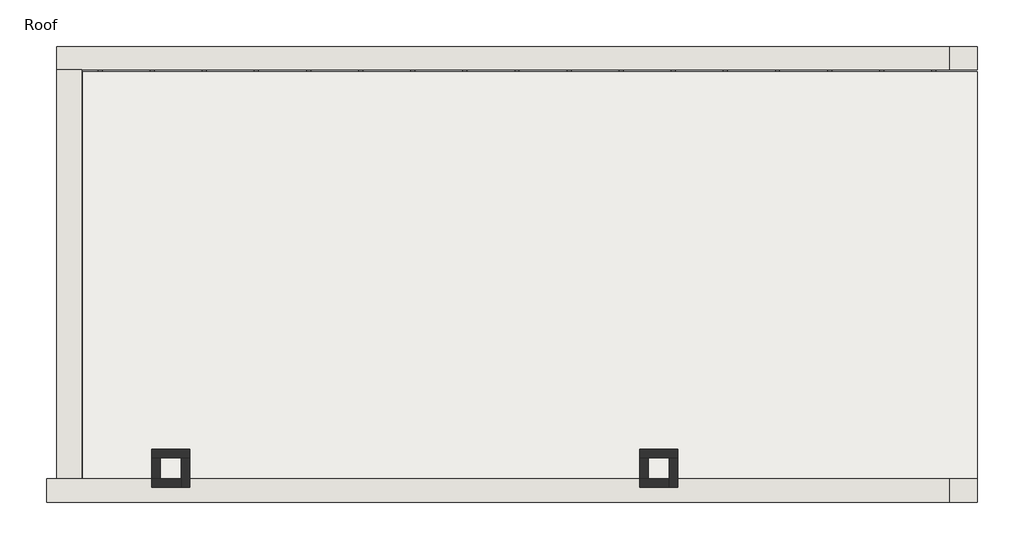
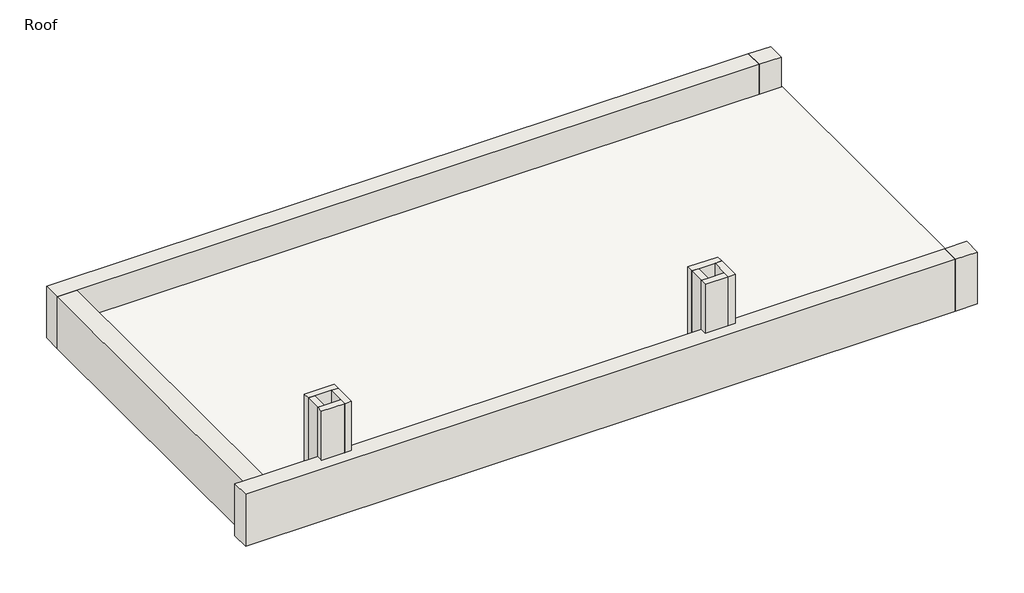
# One storey: 17 beams, 13 walls, 1 roof.
"""IFC4 building model written with IfcOpenShell, lengths in millimetres."""

import ifcopenshell
import ifcopenshell.guid

model = None  # the IFC model being written
_history = None  # IfcOwnerHistory: only IFC2X3 demands one
_inside = {}  # id of a spatial element -> (the spatial element, [elements in it])
_under = {}  # id of a project, library or spatial element -> (it, [spatial elements below it])
_declared = {}  # id of a project -> (the project, [libraries it declares])
_typed = {}  # id of a type object -> (the type object, [elements of that type])
_made_of = {}  # id of a material, layer set ... -> (it, [elements and type objects made of it])


def new_model(schema):
    """Start an empty IFC model of exactly this schema.

    Asked for "IFC4X3", IfcOpenShell would pick the latest addendum, in which some entities
    have other attributes; the version numbers below select the first issue.
    IFC2X3 requires an IfcOwnerHistory on every rooted entity: one is made here for all.
    """
    global model, _history
    if schema == "IFC4X3":
        model = ifcopenshell.file(schema_version=(4, 3, 0, 0))
    else:
        model = ifcopenshell.file(schema=schema)
    _inside.clear()
    _under.clear()
    _declared.clear()
    _typed.clear()
    _made_of.clear()
    _history = None
    if model.schema == "IFC2X3":
        org = make("IfcOrganization", Name="unknown")
        user = make(
            "IfcPersonAndOrganization",
            ThePerson=make("IfcPerson", FamilyName="unknown"),
            TheOrganization=org,
        )
        app = make(
            "IfcApplication",
            ApplicationDeveloper=org,
            Version="unknown",
            ApplicationFullName="unknown",
            ApplicationIdentifier="unknown",
        )
        _history = make(
            "IfcOwnerHistory",
            OwningUser=user,
            OwningApplication=app,
            ChangeAction="ADDED",
            CreationDate=0,
        )
    return model


def make(cls, **values):
    """One entity of the class cls with the attributes given. An attribute that is None is left unset."""
    return model.create_entity(
        cls, **{name: value for name, value in values.items() if value is not None}
    )


def rooted(cls, **values):
    """An entity with a GlobalId (a new one), such as an element, a storey or a relation."""
    return make(cls, GlobalId=ifcopenshell.guid.new(), OwnerHistory=_history, **values)


def si_unit(unit_type, name, prefix=None):
    """IfcSIUnit, for example si_unit("LENGTHUNIT", "METRE", prefix="MILLI")."""
    return make("IfcSIUnit", UnitType=unit_type, Prefix=prefix, Name=name)


def assignment(units):
    """IfcUnitAssignment: the units of a project."""
    return None if units is None else make("IfcUnitAssignment", Units=units)


def point(xyz):
    """IfcCartesianPoint."""
    return None if xyz is None else make("IfcCartesianPoint", Coordinates=xyz)


def direction(xyz):
    """IfcDirection."""
    return None if xyz is None else make("IfcDirection", DirectionRatios=xyz)


def frame(location, z_axis=None, x_axis=None):
    """IfcAxis2Placement3D, a coordinate frame: its origin and axes. An axis left out is left unset."""
    return make(
        "IfcAxis2Placement3D",
        Location=point(location),
        Axis=direction(z_axis),
        RefDirection=direction(x_axis),
    )


def origin():
    """The frame at (0, 0, 0) with its axes left unset."""
    return frame((0.0, 0.0, 0.0))


def place(relative_to, where):
    """IfcLocalPlacement: puts the frame where relative to a parent placement (None: the world)."""
    return make(
        "IfcLocalPlacement", PlacementRelTo=relative_to, RelativePlacement=where
    )


def context(
    kind, dimensions, precision=None, world=None, true_north=None, identifier=None
):
    """IfcGeometricRepresentationContext, for example the 3D "Model" context."""
    return make(
        "IfcGeometricRepresentationContext",
        ContextIdentifier=identifier,
        ContextType=kind,
        CoordinateSpaceDimension=dimensions,
        Precision=precision,
        WorldCoordinateSystem=world,
        TrueNorth=true_north,
    )


def project(units=None, contexts=None):
    """IfcProject with its units and contexts."""
    return rooted(
        "IfcProject",
        Name="project",
        RepresentationContexts=contexts,
        UnitsInContext=assignment(units),
    )


def spatial(cls, under=None, at=None, **own):
    """A site, building, storey or space (cls), placed at a placement, below another one or the project."""
    s = rooted(cls, ObjectPlacement=at, **own)
    if under is not None:
        _under.setdefault(under.id(), (under, []))[1].append(s)
    return s


def polyline(points):
    """IfcPolyline through the points."""
    return make("IfcPolyline", Points=[point(p) for p in points])


def outline(outer, holes=None, kind="AREA"):
    """IfcArbitraryClosedProfileDef: a profile drawn as a closed curve; with holes, ...WithVoids."""
    if holes is None:
        return make("IfcArbitraryClosedProfileDef", ProfileType=kind, OuterCurve=outer)
    return make(
        "IfcArbitraryProfileDefWithVoids",
        ProfileType=kind,
        OuterCurve=outer,
        InnerCurves=holes,
    )


def extrude(swept, where, along, depth):
    """IfcExtrudedAreaSolid: the profile swept, set in the frame where, extruded along a direction by depth."""
    return make(
        "IfcExtrudedAreaSolid",
        SweptArea=swept,
        Position=where,
        ExtrudedDirection=direction(along),
        Depth=depth,
    )


def faces_of(points, faces, orient=None, outer=None):
    """IfcFace entities. A face is a list of loops; a loop is a list of indices into points, from 0.

    orient and outer hold one flag for each loop. By default every Orientation is true, the
    first loop of a face is its IfcFaceOuterBound and the others are IfcFaceBound.
    """
    made = []
    for i, loops in enumerate(faces):
        bounds = []
        for j, loop in enumerate(loops):
            is_outer = j == 0 if outer is None else outer[i][j]
            bounds.append(
                make(
                    "IfcFaceOuterBound" if is_outer else "IfcFaceBound",
                    Bound=make("IfcPolyLoop", Polygon=[points[k] for k in loop]),
                    Orientation=True if orient is None else orient[i][j],
                )
            )
        made.append(make("IfcFace", Bounds=bounds))
    return made


def faceted_brep(points, faces, orient=None, outer=None, voids=None):
    """IfcFacetedBrep: a solid bounded by flat faces; with voids (closed shells), ...WithVoids."""
    shared = [point(p) for p in points]
    hull = make("IfcClosedShell", CfsFaces=faces_of(shared, faces, orient, outer))
    if voids is None:
        return make("IfcFacetedBrep", Outer=hull)
    return make(
        "IfcFacetedBrepWithVoids",
        Outer=hull,
        Voids=[
            make(cls, CfsFaces=faces_of(shared, fs, o, b)) for cls, fs, o, b in voids
        ],
    )


def shape(context_of_items, identifier, shape_type, items):
    """IfcShapeRepresentation: the items that make up one representation, for example the "Body"."""
    return make(
        "IfcShapeRepresentation",
        ContextOfItems=context_of_items,
        RepresentationIdentifier=identifier,
        RepresentationType=shape_type,
        Items=items,
    )


def source(mapping_origin, context_of_items, identifier, shape_type, items):
    """IfcRepresentationMap: a shape defined once, which mapped items show again and again."""
    return make(
        "IfcRepresentationMap",
        MappingOrigin=mapping_origin,
        MappedRepresentation=shape(context_of_items, identifier, shape_type, items),
    )


def transform(
    local_origin,
    x_axis=None,
    y_axis=None,
    z_axis=None,
    scale=None,
    scale2=None,
    scale3=None,
    uniform=True,
):
    """IfcCartesianTransformationOperator3D, or its non-uniform kind. x_axis, y_axis, z_axis: its Axis1, 2, 3."""
    if uniform:
        return make(
            "IfcCartesianTransformationOperator3D",
            Axis1=direction(x_axis),
            Axis2=direction(y_axis),
            LocalOrigin=point(local_origin),
            Scale=scale,
            Axis3=direction(z_axis),
        )
    return make(
        "IfcCartesianTransformationOperator3DnonUniform",
        Axis1=direction(x_axis),
        Axis2=direction(y_axis),
        LocalOrigin=point(local_origin),
        Scale=scale,
        Axis3=direction(z_axis),
        Scale2=scale2,
        Scale3=scale3,
    )


def mapped(mapping_source, mapping_target):
    """IfcMappedItem: shows the shape of a source again, moved by a transform."""
    return make(
        "IfcMappedItem", MappingSource=mapping_source, MappingTarget=mapping_target
    )


def made_of(thing, what):
    """Note that an element or type object is made of a material, layer set ...; save() writes the relation."""
    if what is not None:
        _made_of.setdefault(what.id(), (what, []))[1].append(thing)
    return thing


def element(
    cls,
    number,
    at=None,
    inside=None,
    cuts=None,
    type_object=None,
    material=None,
    context=None,
    identifier="Body",
    shape_type=None,
    held_by="IfcProductDefinitionShape",
    body=None,
    shapes=None,
    **own,
):
    """One element of the class cls, such as IfcWall. Its Tag is "e" and its number.

    at: its placement. inside: the storey or other place that contains it. cuts: it is an
    opening in that element (IfcRelVoidsElement). A single representation is given by context,
    identifier, shape_type and body (its items); several are given by shapes. held_by: the class
    of the entity that holds the representations. save() writes the other relations.
    """
    e = rooted(cls, Tag="e%d" % number, ObjectPlacement=at, **own)
    if body is not None:
        shapes = [shape(context, identifier, shape_type, body)]
    if shapes is not None:
        e.Representation = make(held_by, Representations=shapes)
    if inside is not None:
        _inside.setdefault(inside.id(), (inside, []))[1].append(e)
    if cuts is not None:
        rooted(
            "IfcRelVoidsElement", RelatingBuildingElement=cuts, RelatedOpeningElement=e
        )
    if type_object is not None:
        _typed.setdefault(type_object.id(), (type_object, []))[1].append(e)
    return made_of(e, material)


def aggregate(whole, parts):
    """IfcRelAggregates: a whole, such as a stair, and the parts it consists of."""
    return rooted("IfcRelAggregates", RelatingObject=whole, RelatedObjects=parts)


def save(model, path):
    """Write the relations noted so far, then the file.

    IfcRelAggregates (storeys below a building ...), IfcRelContainedInSpatialStructure (elements
    in a storey), IfcRelDefinesByType, IfcRelAssociatesMaterial and IfcRelDeclares: one each for
    every whole, place, type object, material and project.
    """
    for whole, parts in _under.values():
        aggregate(whole, parts)
    for where, things in _inside.values():
        rooted(
            "IfcRelContainedInSpatialStructure",
            RelatedElements=things,
            RelatingStructure=where,
        )
    for kind, things in _typed.values():
        rooted("IfcRelDefinesByType", RelatedObjects=things, RelatingType=kind)
    for what, things in _made_of.values():
        rooted("IfcRelAssociatesMaterial", RelatedObjects=things, RelatingMaterial=what)
    for by, libraries in _declared.values():
        rooted("IfcRelDeclares", RelatingContext=by, RelatedDefinitions=libraries)
    model.write(path)


def timber_45x285_e81fe550(model_context):
    return source(origin(), model_context, "Body", "SweptSolid", [
        extrude(outline(polyline([(2343.0, 22.5), (2343.0, -22.5), (-2343.0, -22.5), (-2343.0, 22.5), (2343.0, 22.5)])), frame((0.0, 0.0, -142.5), z_axis=(0.0, 0.0, 1.0), x_axis=(1.0, 0.0, 0.0)), (0.0, 0.0, 1.0), 285.0),
    ])


model = new_model("IFC4")

# Units and contexts
model_context = context("Model", 3, world=origin())
ifc_project = project(units=[si_unit("LENGTHUNIT", "METRE", prefix="MILLI")], contexts=[model_context])

# Site, building, storey
site = spatial("IfcSite", under=ifc_project)
building = spatial("IfcBuilding", under=site)
storey = spatial("IfcBuildingStorey", under=building, Name="Roof", Elevation=7600.0)

# Beams
placement = place(None, origin())
timber_45x285_shape = timber_45x285_e81fe550(model_context)
element("IfcBeam", 1, ObjectType="Timber : 45x285", at=placement, inside=storey, context=model_context, shape_type="MappedRepresentation", body=[
    mapped(timber_45x285_shape, transform((-4846.59199, 4485.0427792, 7752.5), x_axis=(0.0, 1.0, 0.0), y_axis=(-1.0, 0.0, 0.0), z_axis=(0.0, 0.0, 1.0))),
])
element("IfcBeam", 2, ObjectType="Timber : 45x285", at=placement, inside=storey, context=model_context, shape_type="MappedRepresentation", body=[
    mapped(timber_45x285_shape, transform((-4246.59199, 4485.0427792, 7752.5), x_axis=(0.0, 1.0, 0.0), y_axis=(-1.0, 0.0, 0.0), z_axis=(0.0, 0.0, 1.0))),
])
element("IfcBeam", 3, ObjectType="Timber : 45x285", at=placement, inside=storey, context=model_context, shape_type="MappedRepresentation", body=[
    mapped(timber_45x285_shape, transform((-3646.59199, 4485.0427792, 7752.5), x_axis=(0.0, 1.0, 0.0), y_axis=(-1.0, 0.0, 0.0), z_axis=(0.0, 0.0, 1.0))),
])
element("IfcBeam", 4, ObjectType="Timber : 45x285", at=placement, inside=storey, context=model_context, shape_type="MappedRepresentation", body=[
    mapped(timber_45x285_shape, transform((-3046.59199, 4485.0427792, 7752.5), x_axis=(0.0, 1.0, 0.0), y_axis=(-1.0, 0.0, 0.0), z_axis=(0.0, 0.0, 1.0))),
])
element("IfcBeam", 5, ObjectType="Timber : 45x285", at=placement, inside=storey, context=model_context, shape_type="MappedRepresentation", body=[
    mapped(timber_45x285_shape, transform((-2446.59199, 4485.0427792, 7752.5), x_axis=(0.0, 1.0, 0.0), y_axis=(-1.0, 0.0, 0.0), z_axis=(0.0, 0.0, 1.0))),
])
element("IfcBeam", 6, ObjectType="Timber : 45x285", at=placement, inside=storey, context=model_context, shape_type="MappedRepresentation", body=[
    mapped(timber_45x285_shape, transform((-1846.59199, 4485.0427792, 7752.5), x_axis=(0.0, 1.0, 0.0), y_axis=(-1.0, 0.0, 0.0), z_axis=(0.0, 0.0, 1.0))),
])
element("IfcBeam", 7, ObjectType="Timber : 45x285", at=placement, inside=storey, context=model_context, shape_type="MappedRepresentation", body=[
    mapped(timber_45x285_shape, transform((-1246.59199, 4485.0427792, 7752.5), x_axis=(0.0, 1.0, 0.0), y_axis=(-1.0, 0.0, 0.0), z_axis=(0.0, 0.0, 1.0))),
])
element("IfcBeam", 8, ObjectType="Timber : 45x285", at=placement, inside=storey, context=model_context, shape_type="MappedRepresentation", body=[
    mapped(timber_45x285_shape, transform((-646.59199, 4485.0427792, 7752.5), x_axis=(0.0, 1.0, 0.0), y_axis=(-1.0, 0.0, 0.0), z_axis=(0.0, 0.0, 1.0))),
])
element("IfcBeam", 9, ObjectType="Timber : 45x285", at=placement, inside=storey, context=model_context, shape_type="MappedRepresentation", body=[
    mapped(timber_45x285_shape, transform((-46.59199, 4485.0427792, 7752.5), x_axis=(0.0, 1.0, 0.0), y_axis=(-1.0, 0.0, 0.0), z_axis=(0.0, 0.0, 1.0))),
])
element("IfcBeam", 10, ObjectType="Timber : 45x285", at=placement, inside=storey, context=model_context, shape_type="MappedRepresentation", body=[
    mapped(timber_45x285_shape, transform((553.40801, 4485.0427792, 7752.5), x_axis=(0.0, 1.0, 0.0), y_axis=(-1.0, 0.0, 0.0), z_axis=(0.0, 0.0, 1.0))),
])
element("IfcBeam", 11, ObjectType="Timber : 45x285", at=placement, inside=storey, context=model_context, shape_type="MappedRepresentation", body=[
    mapped(timber_45x285_shape, transform((1153.40801, 4485.0427792, 7752.5), x_axis=(0.0, 1.0, 0.0), y_axis=(-1.0, 0.0, 0.0), z_axis=(0.0, 0.0, 1.0))),
])
element("IfcBeam", 12, ObjectType="Timber : 45x285", at=placement, inside=storey, context=model_context, shape_type="MappedRepresentation", body=[
    mapped(timber_45x285_shape, transform((1753.40801, 4485.0427792, 7752.5), x_axis=(0.0, 1.0, 0.0), y_axis=(-1.0, 0.0, 0.0), z_axis=(0.0, 0.0, 1.0))),
])
element("IfcBeam", 13, ObjectType="Timber : 45x285", at=placement, inside=storey, context=model_context, shape_type="MappedRepresentation", body=[
    mapped(timber_45x285_shape, transform((2353.40801, 4485.0427792, 7752.5), x_axis=(0.0, 1.0, 0.0), y_axis=(-1.0, 0.0, 0.0), z_axis=(0.0, 0.0, 1.0))),
])
element("IfcBeam", 14, ObjectType="Timber : 45x285", at=placement, inside=storey, context=model_context, shape_type="MappedRepresentation", body=[
    mapped(timber_45x285_shape, transform((2953.40801, 4485.0427792, 7752.5), x_axis=(0.0, 1.0, 0.0), y_axis=(-1.0, 0.0, 0.0), z_axis=(0.0, 0.0, 1.0))),
])
element("IfcBeam", 15, ObjectType="Timber : 45x285", at=placement, inside=storey, context=model_context, shape_type="MappedRepresentation", body=[
    mapped(timber_45x285_shape, transform((3553.40801, 4485.0427792, 7752.5), x_axis=(0.0, 1.0, 0.0), y_axis=(-1.0, 0.0, 0.0), z_axis=(0.0, 0.0, 1.0))),
])
element("IfcBeam", 16, ObjectType="Timber : 45x285", at=placement, inside=storey, context=model_context, shape_type="MappedRepresentation", body=[
    mapped(timber_45x285_shape, transform((4153.40801, 4485.0427792, 7752.5), x_axis=(0.0, 1.0, 0.0), y_axis=(-1.0, 0.0, 0.0), z_axis=(0.0, 0.0, 1.0))),
])
element("IfcBeam", 17, ObjectType="Timber : 45x285", at=placement, inside=storey, context=model_context, shape_type="MappedRepresentation", body=[
    mapped(timber_45x285_shape, transform((4753.40801, 4485.0427792, 7752.5), x_axis=(0.0, 1.0, 0.0), y_axis=(-1.0, 0.0, 0.0), z_axis=(0.0, 0.0, 1.0))),
])

# Roof
element("IfcRoof", 18, ObjectType="Flat Roof", at=placement, inside=storey, context=model_context, shape_type="SweptSolid", body=[
    extrude(outline(polyline([(-5048.59199, 6808.2457587), (5255.40801, 6808.2457587), (5255.40801, 2121.8397997), (-5048.59199, 2121.8397997), (-5048.59199, 6808.2457587)])), frame((0.0, 0.0, 7885.0), z_axis=(0.0, 0.0, 1.0), x_axis=(1.0, 0.0, 0.0)), (0.0, 0.0, 1.0), 71.0),
])

# Walls
element("IfcWall", 19, ObjectType="External brick Wall", at=placement, inside=storey, context=model_context, shape_type="Brep", body=[
    faceted_brep([(-5348.59199, 6828.2457587, 7600.0), (-5058.59199, 6828.2457587, 7600.0), (4929.40801, 6828.2457587, 7600.0), (4929.40801, 6828.2457587, 8400.0), (-5058.59199, 6828.2457587, 8400.0), (-5348.59199, 6828.2457587, 8400.0), (-5348.59199, 7098.2457587, 7600.0), (-5348.59199, 7098.2457587, 8400.0), (4929.40801, 7098.2457587, 8400.0), (4929.40801, 7098.2457587, 7600.0), (-5180.59199, 7098.2457587, 7600.0)], [[[0, 1, 2, 3, 4, 5]], [[6, 7, 8, 9, 10]], [[2, 1, 0, 6, 10, 9]], [[5, 4, 3, 8, 7]], [[3, 2, 9, 8]], [[0, 5, 7, 6]]]),
])
element("IfcWall", 20, ObjectType="External brick Wall", at=placement, inside=storey, context=model_context, shape_type="Brep", body=[
    faceted_brep([(4929.40801, 2121.8397997, 7600.0), (-5058.59199, 2121.8397997, 7600.0), (-5348.59199, 2121.8397997, 7600.0), (-5463.59199, 2121.8397997, 7600.0), (-5463.59199, 2121.8397997, 8400.0), (-5348.59199, 2121.8397997, 8400.0), (-5058.59199, 2121.8397997, 8400.0), (4929.40801, 2121.8397997, 8400.0), (4929.40801, 1851.8397997, 7600.0), (4929.40801, 1851.8397997, 8400.0), (-5463.59199, 1851.8397997, 8400.0), (-5463.59199, 1851.8397997, 7600.0)], [[[0, 1, 2, 3, 4, 5, 6, 7]], [[8, 9, 10, 11]], [[3, 2, 1, 0, 8, 11]], [[4, 3, 11, 10]], [[7, 6, 5, 4, 10, 9]], [[0, 7, 9, 8]]]),
])
element("IfcWall", 21, ObjectType="External brick Wall", at=placement, inside=storey, context=model_context, shape_type="SweptSolid", body=[
    extrude(outline(polyline([(5255.40801, 6828.2457587), (4929.40801, 6828.2457587), (4929.40801, 7098.2457587), (5255.40801, 7098.2457587), (5255.40801, 6828.2457587)])), frame((0.0, 0.0, 7600.0), z_axis=(0.0, 0.0, 1.0), x_axis=(1.0, 0.0, 0.0)), (0.0, 0.0, 1.0), 800.0),
])
element("IfcWall", 22, ObjectType="External brick Wall", at=placement, inside=storey, context=model_context, shape_type="SweptSolid", body=[
    extrude(outline(polyline([(5255.40801, 1851.8397997), (4929.40801, 1851.8397997), (4929.40801, 2121.8397997), (5255.40801, 2121.8397997), (5255.40801, 1851.8397997)])), frame((0.0, 0.0, 7600.0), z_axis=(0.0, 0.0, 1.0), x_axis=(1.0, 0.0, 0.0)), (0.0, 0.0, 1.0), 800.0),
])
element("IfcWall", 23, ObjectType="External single brick Wall", at=placement, inside=storey, context=model_context, shape_type="Brep", body=[
    faceted_brep([(1366.40801, 2361.8397997, 7600.0), (1466.40801, 2361.8397997, 7600.0), (1706.40801, 2361.8397997, 7600.0), (1806.40801, 2361.8397997, 7600.0), (1806.40801, 2361.8397997, 9160.0), (1706.40801, 2361.8397997, 9160.0), (1466.40801, 2361.8397997, 9160.0), (1366.40801, 2361.8397997, 9160.0), (1366.40801, 2461.8397997, 7600.0), (1366.40801, 2461.8397997, 9160.0), (1806.40801, 2461.8397997, 9160.0), (1806.40801, 2461.8397997, 7600.0)], [[[0, 1, 2, 3, 4, 5, 6, 7]], [[8, 9, 10, 11]], [[3, 2, 1, 0, 8, 11]], [[7, 6, 5, 4, 10, 9]], [[4, 3, 11, 10]], [[0, 7, 9, 8]]]),
])
element("IfcWall", 24, ObjectType="External single brick Wall", at=placement, inside=storey, context=model_context, shape_type="Brep", body=[
    faceted_brep([(1706.40801, 2361.8397997, 7600.0), (1706.40801, 2121.8397997, 7600.0), (1706.40801, 2021.8397997, 7600.0), (1706.40801, 2021.8397997, 9160.0), (1706.40801, 2121.8397997, 9160.0), (1706.40801, 2361.8397997, 9160.0), (1806.40801, 2361.8397997, 7600.0), (1806.40801, 2361.8397997, 9160.0), (1806.40801, 2021.8397997, 9160.0), (1806.40801, 2021.8397997, 7600.0)], [[[0, 1, 2, 3, 4, 5]], [[6, 7, 8, 9]], [[2, 1, 0, 6, 9]], [[5, 4, 3, 8, 7]], [[0, 5, 7, 6]], [[3, 2, 9, 8]]]),
])
element("IfcWall", 25, ObjectType="External single brick Wall", at=placement, inside=storey, context=model_context, shape_type="Brep", body=[
    faceted_brep([(1706.40801, 2121.8397997, 7600.0), (1466.40801, 2121.8397997, 7600.0), (1366.40801, 2121.8397997, 7600.0), (1366.40801, 2121.8397997, 9160.0), (1466.40801, 2121.8397997, 9160.0), (1706.40801, 2121.8397997, 9160.0), (1706.40801, 2021.8397997, 7600.0), (1706.40801, 2021.8397997, 9160.0), (1366.40801, 2021.8397997, 9160.0), (1366.40801, 2021.8397997, 7600.0)], [[[0, 1, 2, 3, 4, 5]], [[6, 7, 8, 9]], [[2, 1, 0, 6, 9]], [[5, 4, 3, 8, 7]], [[0, 5, 7, 6]], [[3, 2, 9, 8]]]),
])
element("IfcWall", 26, ObjectType="External single brick Wall", at=placement, inside=storey, context=model_context, shape_type="SweptSolid", body=[
    extrude(outline(polyline([(1466.40801, 2361.8397997), (1466.40801, 2121.8397997), (1366.40801, 2121.8397997), (1366.40801, 2361.8397997), (1466.40801, 2361.8397997)])), frame((0.0, 0.0, 7600.0), z_axis=(0.0, 0.0, 1.0), x_axis=(1.0, 0.0, 0.0)), (0.0, 0.0, 1.0), 1560.0),
])
element("IfcWall", 27, ObjectType="External single brick Wall", at=placement, inside=storey, context=model_context, shape_type="Brep", body=[
    faceted_brep([(-4253.59199, 2361.8397997, 7600.0), (-4153.59199, 2361.8397997, 7600.0), (-3913.59199, 2361.8397997, 7600.0), (-3813.59199, 2361.8397997, 7600.0), (-3813.59199, 2361.8397997, 9160.0), (-3913.59199, 2361.8397997, 9160.0), (-4153.59199, 2361.8397997, 9160.0), (-4253.59199, 2361.8397997, 9160.0), (-4253.59199, 2461.8397997, 7600.0), (-4253.59199, 2461.8397997, 9160.0), (-3813.59199, 2461.8397997, 9160.0), (-3813.59199, 2461.8397997, 7600.0)], [[[0, 1, 2, 3, 4, 5, 6, 7]], [[8, 9, 10, 11]], [[3, 2, 1, 0, 8, 11]], [[7, 6, 5, 4, 10, 9]], [[4, 3, 11, 10]], [[0, 7, 9, 8]]]),
])
element("IfcWall", 28, ObjectType="External single brick Wall", at=placement, inside=storey, context=model_context, shape_type="Brep", body=[
    faceted_brep([(-3913.59199, 2361.8397997, 7600.0), (-3913.59199, 2121.8397997, 7600.0), (-3913.59199, 2021.8397997, 7600.0), (-3913.59199, 2021.8397997, 9160.0), (-3913.59199, 2121.8397997, 9160.0), (-3913.59199, 2361.8397997, 9160.0), (-3813.59199, 2361.8397997, 7600.0), (-3813.59199, 2361.8397997, 9160.0), (-3813.59199, 2021.8397997, 9160.0), (-3813.59199, 2021.8397997, 7600.0)], [[[0, 1, 2, 3, 4, 5]], [[6, 7, 8, 9]], [[2, 1, 0, 6, 9]], [[5, 4, 3, 8, 7]], [[0, 5, 7, 6]], [[3, 2, 9, 8]]]),
])
element("IfcWall", 29, ObjectType="External single brick Wall", at=placement, inside=storey, context=model_context, shape_type="Brep", body=[
    faceted_brep([(-3913.59199, 2121.8397997, 7600.0), (-4153.59199, 2121.8397997, 7600.0), (-4253.59199, 2121.8397997, 7600.0), (-4253.59199, 2121.8397997, 9160.0), (-4153.59199, 2121.8397997, 9160.0), (-3913.59199, 2121.8397997, 9160.0), (-3913.59199, 2021.8397997, 7600.0), (-3913.59199, 2021.8397997, 9160.0), (-4253.59199, 2021.8397997, 9160.0), (-4253.59199, 2021.8397997, 7600.0)], [[[0, 1, 2, 3, 4, 5]], [[6, 7, 8, 9]], [[2, 1, 0, 6, 9]], [[5, 4, 3, 8, 7]], [[0, 5, 7, 6]], [[3, 2, 9, 8]]]),
])
element("IfcWall", 30, ObjectType="External single brick Wall", at=placement, inside=storey, context=model_context, shape_type="SweptSolid", body=[
    extrude(outline(polyline([(-4153.59199, 2361.8397997), (-4153.59199, 2121.8397997), (-4253.59199, 2121.8397997), (-4253.59199, 2361.8397997), (-4153.59199, 2361.8397997)])), frame((0.0, 0.0, 7600.0), z_axis=(0.0, 0.0, 1.0), x_axis=(1.0, 0.0, 0.0)), (0.0, 0.0, 1.0), 1560.0),
])
element("IfcWall", 31, ObjectType="Front wall", at=placement, inside=storey, context=model_context, shape_type="SweptSolid", body=[
    extrude(outline(polyline([(-5058.59199, 6828.2457587), (-5058.59199, 2121.8397997), (-5348.59199, 2121.8397997), (-5348.59199, 6828.2457587), (-5058.59199, 6828.2457587)])), frame((0.0, 0.0, 7600.0), z_axis=(0.0, 0.0, 1.0), x_axis=(1.0, 0.0, 0.0)), (0.0, 0.0, 1.0), 800.0),
])

save(model, "model.ifc")
